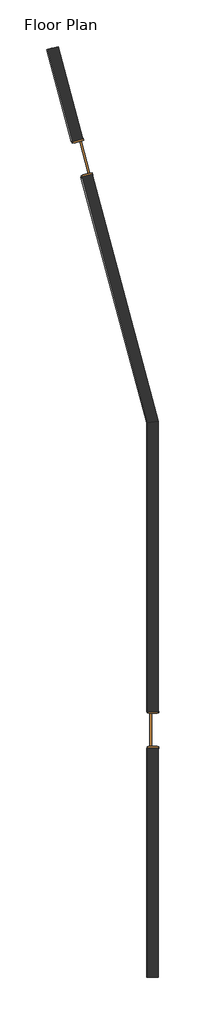
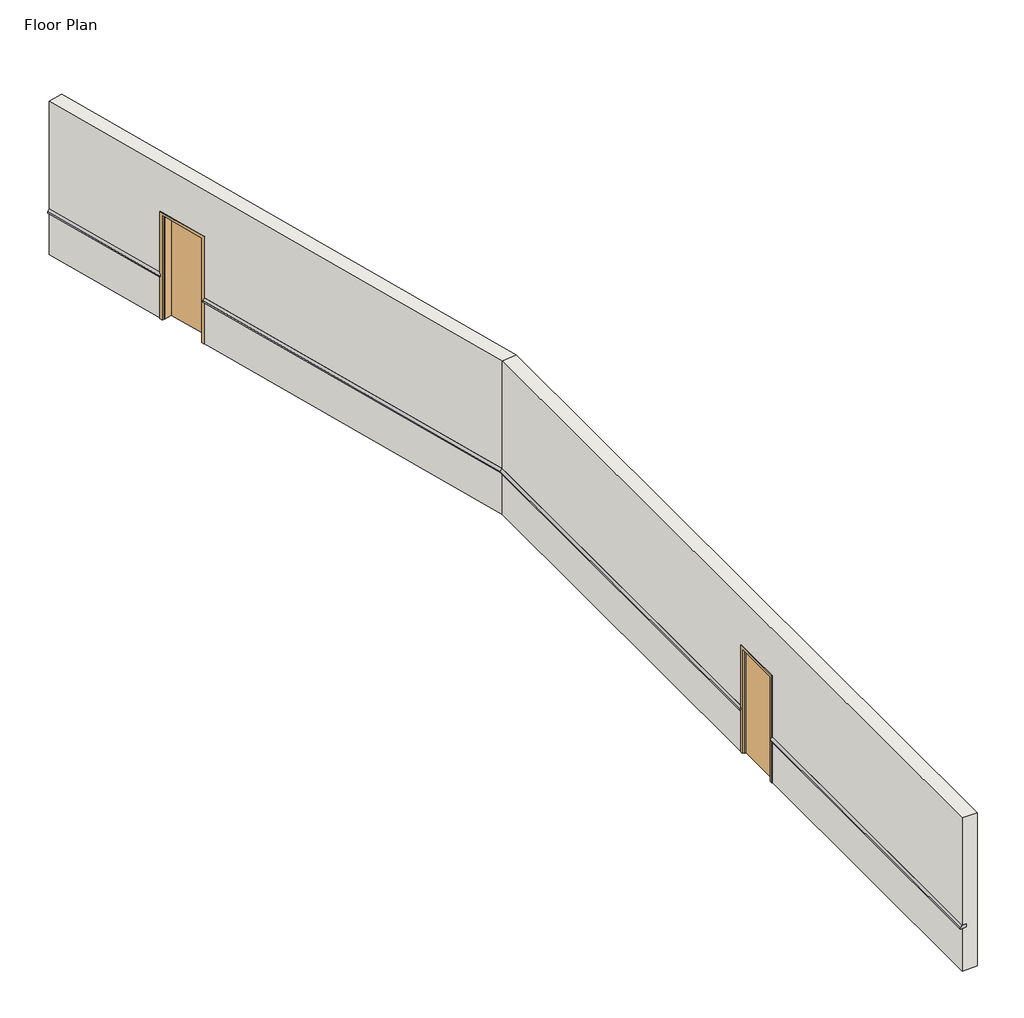
# One storey: 2 doors, 2 proxies, 2 walls.
"""IFC4 building model written with IfcOpenShell, lengths in millimetres."""

import ifcopenshell
import ifcopenshell.guid

model = None  # the IFC model being written
_history = None  # IfcOwnerHistory: only IFC2X3 demands one
_inside = {}  # id of a spatial element -> (the spatial element, [elements in it])
_under = {}  # id of a project, library or spatial element -> (it, [spatial elements below it])
_declared = {}  # id of a project -> (the project, [libraries it declares])
_typed = {}  # id of a type object -> (the type object, [elements of that type])
_made_of = {}  # id of a material, layer set ... -> (it, [elements and type objects made of it])


def new_model(schema):
    """Start an empty IFC model of exactly this schema.

    Asked for "IFC4X3", IfcOpenShell would pick the latest addendum, in which some entities
    have other attributes; the version numbers below select the first issue.
    IFC2X3 requires an IfcOwnerHistory on every rooted entity: one is made here for all.
    """
    global model, _history
    if schema == "IFC4X3":
        model = ifcopenshell.file(schema_version=(4, 3, 0, 0))
    else:
        model = ifcopenshell.file(schema=schema)
    _inside.clear()
    _under.clear()
    _declared.clear()
    _typed.clear()
    _made_of.clear()
    _history = None
    if model.schema == "IFC2X3":
        org = make("IfcOrganization", Name="unknown")
        user = make(
            "IfcPersonAndOrganization",
            ThePerson=make("IfcPerson", FamilyName="unknown"),
            TheOrganization=org,
        )
        app = make(
            "IfcApplication",
            ApplicationDeveloper=org,
            Version="unknown",
            ApplicationFullName="unknown",
            ApplicationIdentifier="unknown",
        )
        _history = make(
            "IfcOwnerHistory",
            OwningUser=user,
            OwningApplication=app,
            ChangeAction="ADDED",
            CreationDate=0,
        )
    return model


def make(cls, **values):
    """One entity of the class cls with the attributes given. An attribute that is None is left unset."""
    return model.create_entity(
        cls, **{name: value for name, value in values.items() if value is not None}
    )


def rooted(cls, **values):
    """An entity with a GlobalId (a new one), such as an element, a storey or a relation."""
    return make(cls, GlobalId=ifcopenshell.guid.new(), OwnerHistory=_history, **values)


def si_unit(unit_type, name, prefix=None):
    """IfcSIUnit, for example si_unit("LENGTHUNIT", "METRE", prefix="MILLI")."""
    return make("IfcSIUnit", UnitType=unit_type, Prefix=prefix, Name=name)


def assignment(units):
    """IfcUnitAssignment: the units of a project."""
    return None if units is None else make("IfcUnitAssignment", Units=units)


def point(xyz):
    """IfcCartesianPoint."""
    return None if xyz is None else make("IfcCartesianPoint", Coordinates=xyz)


def direction(xyz):
    """IfcDirection."""
    return None if xyz is None else make("IfcDirection", DirectionRatios=xyz)


def frame(location, z_axis=None, x_axis=None):
    """IfcAxis2Placement3D, a coordinate frame: its origin and axes. An axis left out is left unset."""
    return make(
        "IfcAxis2Placement3D",
        Location=point(location),
        Axis=direction(z_axis),
        RefDirection=direction(x_axis),
    )


def origin():
    """The frame at (0, 0, 0) with its axes left unset."""
    return frame((0.0, 0.0, 0.0))


def origin_with_axes():
    """The frame at (0, 0, 0) with the z axis (0, 0, 1) and the x axis (1, 0, 0) written out."""
    return frame((0.0, 0.0, 0.0), z_axis=(0.0, 0.0, 1.0), x_axis=(1.0, 0.0, 0.0))


def place(relative_to, where):
    """IfcLocalPlacement: puts the frame where relative to a parent placement (None: the world)."""
    return make(
        "IfcLocalPlacement", PlacementRelTo=relative_to, RelativePlacement=where
    )


def context(
    kind, dimensions, precision=None, world=None, true_north=None, identifier=None
):
    """IfcGeometricRepresentationContext, for example the 3D "Model" context."""
    return make(
        "IfcGeometricRepresentationContext",
        ContextIdentifier=identifier,
        ContextType=kind,
        CoordinateSpaceDimension=dimensions,
        Precision=precision,
        WorldCoordinateSystem=world,
        TrueNorth=true_north,
    )


def project(units=None, contexts=None):
    """IfcProject with its units and contexts."""
    return rooted(
        "IfcProject",
        Name="project",
        RepresentationContexts=contexts,
        UnitsInContext=assignment(units),
    )


def spatial(cls, under=None, at=None, **own):
    """A site, building, storey or space (cls), placed at a placement, below another one or the project."""
    s = rooted(cls, ObjectPlacement=at, **own)
    if under is not None:
        _under.setdefault(under.id(), (under, []))[1].append(s)
    return s


def polyline(points):
    """IfcPolyline through the points."""
    return make("IfcPolyline", Points=[point(p) for p in points])


def outline(outer, holes=None, kind="AREA"):
    """IfcArbitraryClosedProfileDef: a profile drawn as a closed curve; with holes, ...WithVoids."""
    if holes is None:
        return make("IfcArbitraryClosedProfileDef", ProfileType=kind, OuterCurve=outer)
    return make(
        "IfcArbitraryProfileDefWithVoids",
        ProfileType=kind,
        OuterCurve=outer,
        InnerCurves=holes,
    )


def extrude(swept, where, along, depth):
    """IfcExtrudedAreaSolid: the profile swept, set in the frame where, extruded along a direction by depth."""
    return make(
        "IfcExtrudedAreaSolid",
        SweptArea=swept,
        Position=where,
        ExtrudedDirection=direction(along),
        Depth=depth,
    )


def faces_of(points, faces, orient=None, outer=None):
    """IfcFace entities. A face is a list of loops; a loop is a list of indices into points, from 0.

    orient and outer hold one flag for each loop. By default every Orientation is true, the
    first loop of a face is its IfcFaceOuterBound and the others are IfcFaceBound.
    """
    made = []
    for i, loops in enumerate(faces):
        bounds = []
        for j, loop in enumerate(loops):
            is_outer = j == 0 if outer is None else outer[i][j]
            bounds.append(
                make(
                    "IfcFaceOuterBound" if is_outer else "IfcFaceBound",
                    Bound=make("IfcPolyLoop", Polygon=[points[k] for k in loop]),
                    Orientation=True if orient is None else orient[i][j],
                )
            )
        made.append(make("IfcFace", Bounds=bounds))
    return made


def faceted_brep(points, faces, orient=None, outer=None, voids=None):
    """IfcFacetedBrep: a solid bounded by flat faces; with voids (closed shells), ...WithVoids."""
    shared = [point(p) for p in points]
    hull = make("IfcClosedShell", CfsFaces=faces_of(shared, faces, orient, outer))
    if voids is None:
        return make("IfcFacetedBrep", Outer=hull)
    return make(
        "IfcFacetedBrepWithVoids",
        Outer=hull,
        Voids=[
            make(cls, CfsFaces=faces_of(shared, fs, o, b)) for cls, fs, o, b in voids
        ],
    )


def shape(context_of_items, identifier, shape_type, items):
    """IfcShapeRepresentation: the items that make up one representation, for example the "Body"."""
    return make(
        "IfcShapeRepresentation",
        ContextOfItems=context_of_items,
        RepresentationIdentifier=identifier,
        RepresentationType=shape_type,
        Items=items,
    )


def source(mapping_origin, context_of_items, identifier, shape_type, items):
    """IfcRepresentationMap: a shape defined once, which mapped items show again and again."""
    return make(
        "IfcRepresentationMap",
        MappingOrigin=mapping_origin,
        MappedRepresentation=shape(context_of_items, identifier, shape_type, items),
    )


def transform(
    local_origin,
    x_axis=None,
    y_axis=None,
    z_axis=None,
    scale=None,
    scale2=None,
    scale3=None,
    uniform=True,
):
    """IfcCartesianTransformationOperator3D, or its non-uniform kind. x_axis, y_axis, z_axis: its Axis1, 2, 3."""
    if uniform:
        return make(
            "IfcCartesianTransformationOperator3D",
            Axis1=direction(x_axis),
            Axis2=direction(y_axis),
            LocalOrigin=point(local_origin),
            Scale=scale,
            Axis3=direction(z_axis),
        )
    return make(
        "IfcCartesianTransformationOperator3DnonUniform",
        Axis1=direction(x_axis),
        Axis2=direction(y_axis),
        LocalOrigin=point(local_origin),
        Scale=scale,
        Axis3=direction(z_axis),
        Scale2=scale2,
        Scale3=scale3,
    )


def mapped(mapping_source, mapping_target):
    """IfcMappedItem: shows the shape of a source again, moved by a transform."""
    return make(
        "IfcMappedItem", MappingSource=mapping_source, MappingTarget=mapping_target
    )


def made_of(thing, what):
    """Note that an element or type object is made of a material, layer set ...; save() writes the relation."""
    if what is not None:
        _made_of.setdefault(what.id(), (what, []))[1].append(thing)
    return thing


def element(
    cls,
    number,
    at=None,
    inside=None,
    cuts=None,
    type_object=None,
    material=None,
    context=None,
    identifier="Body",
    shape_type=None,
    held_by="IfcProductDefinitionShape",
    body=None,
    shapes=None,
    **own,
):
    """One element of the class cls, such as IfcWall. Its Tag is "e" and its number.

    at: its placement. inside: the storey or other place that contains it. cuts: it is an
    opening in that element (IfcRelVoidsElement). A single representation is given by context,
    identifier, shape_type and body (its items); several are given by shapes. held_by: the class
    of the entity that holds the representations. save() writes the other relations.
    """
    e = rooted(cls, Tag="e%d" % number, ObjectPlacement=at, **own)
    if body is not None:
        shapes = [shape(context, identifier, shape_type, body)]
    if shapes is not None:
        e.Representation = make(held_by, Representations=shapes)
    if inside is not None:
        _inside.setdefault(inside.id(), (inside, []))[1].append(e)
    if cuts is not None:
        rooted(
            "IfcRelVoidsElement", RelatingBuildingElement=cuts, RelatedOpeningElement=e
        )
    if type_object is not None:
        _typed.setdefault(type_object.id(), (type_object, []))[1].append(e)
    return made_of(e, material)


def aggregate(whole, parts):
    """IfcRelAggregates: a whole, such as a stair, and the parts it consists of."""
    return rooted("IfcRelAggregates", RelatingObject=whole, RelatedObjects=parts)


def save(model, path):
    """Write the relations noted so far, then the file.

    IfcRelAggregates (storeys below a building ...), IfcRelContainedInSpatialStructure (elements
    in a storey), IfcRelDefinesByType, IfcRelAssociatesMaterial and IfcRelDeclares: one each for
    every whole, place, type object, material and project.
    """
    for whole, parts in _under.values():
        aggregate(whole, parts)
    for where, things in _inside.values():
        rooted(
            "IfcRelContainedInSpatialStructure",
            RelatedElements=things,
            RelatingStructure=where,
        )
    for kind, things in _typed.values():
        rooted("IfcRelDefinesByType", RelatedObjects=things, RelatingType=kind)
    for what, things in _made_of.values():
        rooted("IfcRelAssociatesMaterial", RelatedObjects=things, RelatingMaterial=what)
    for by, libraries in _declared.values():
        rooted("IfcRelDeclares", RelatingContext=by, RelatedDefinitions=libraries)
    model.write(path)


def door_9903df7c(model_context):
    return source(origin(), model_context, "Body", "SolidModel", [
        faceted_brep([(-1270.0, 157.1625, 0.0), (-1219.2, 157.1625, 0.0), (-1219.2, 112.7125, 0.0), (-1206.5, 112.7125, 0.0), (-1206.5, -112.7125, 0.0), (-1219.2, -112.7125, 0.0), (-1219.2, -157.1625, 0.0), (-1270.0, -157.1625, 0.0), (-1270.0, -144.4625, 0.0), (-1257.3, -144.4625, 0.0), (-1257.3, 144.4625, 0.0), (-1270.0, 144.4625, 0.0), (-1270.0, 157.1625, 2133.6), (-254.0, 157.1625, 2133.6), (-254.0, 157.1625, 0.0), (-304.8, 157.1625, 0.0), (-304.8, 157.1625, 2082.8), (-1219.2, 157.1625, 2082.8), (-1219.2, 112.7125, 2082.8), (-304.8, 112.7125, 2082.8), (-304.8, 112.7125, 0.0), (-317.5, 112.7125, 0.0), (-317.5, 112.7125, 2070.1), (-1206.5, 112.7125, 2070.1), (-1206.5, -112.7125, 2070.1), (-317.5, -112.7125, 2070.1), (-317.5, -112.7125, 0.0), (-304.8, -112.7125, 0.0), (-304.8, -112.7125, 2082.8), (-1219.2, -112.7125, 2082.8), (-1219.2, -157.1625, 2082.8), (-304.8, -157.1625, 2082.8), (-304.8, -157.1625, 0.0), (-254.0, -157.1625, 0.0), (-254.0, -157.1625, 2133.6), (-1270.0, -157.1625, 2133.6), (-1270.0, -144.4625, 2133.6), (-254.0, -144.4625, 2133.6), (-254.0, -144.4625, 0.0), (-266.7, -144.4625, 0.0), (-266.7, -144.4625, 2120.9), (-1257.3, -144.4625, 2120.9), (-1257.3, 144.4625, 2120.9), (-266.7, 144.4625, 2120.9), (-266.7, 144.4625, 0.0), (-254.0, 144.4625, 0.0), (-254.0, 144.4625, 2133.6), (-1270.0, 144.4625, 2133.6)], [[[0, 1, 2, 3, 4, 5, 6, 7, 8, 9, 10, 11]], [[1, 0, 12, 13, 14, 15, 16, 17]], [[2, 1, 17, 18]], [[3, 2, 18, 19, 20, 21, 22, 23]], [[4, 3, 23, 24]], [[5, 4, 24, 25, 26, 27, 28, 29]], [[6, 5, 29, 30]], [[7, 6, 30, 31, 32, 33, 34, 35]], [[8, 7, 35, 36]], [[9, 8, 36, 37, 38, 39, 40, 41]], [[10, 9, 41, 42]], [[11, 10, 42, 43, 44, 45, 46, 47]], [[0, 11, 47, 12]], [[13, 46, 45, 14]], [[14, 45, 44, 39, 38, 33, 32, 27, 26, 21, 20, 15]], [[19, 16, 15, 20]], [[25, 22, 21, 26]], [[31, 28, 27, 32]], [[37, 34, 33, 38]], [[43, 40, 39, 44]], [[18, 17, 16, 19]], [[24, 23, 22, 25]], [[30, 29, 28, 31]], [[36, 35, 34, 37]], [[42, 41, 40, 43]], [[12, 47, 46, 13]]]),
        extrude(outline(polyline([(-304.8, 44.45), (-1219.2, 44.45), (-1219.2, 88.9), (-304.8, 88.9), (-304.8, 44.45)])), origin_with_axes(), (0.0, 0.0, 1.0), 2082.8),
    ])


model = new_model("IFC4")

# Units and contexts
model_context = context("Model", 3, world=origin())
ifc_project = project(units=[si_unit("LENGTHUNIT", "METRE", prefix="MILLI")], contexts=[model_context])

# Site, building, storey
site = spatial("IfcSite", under=ifc_project)
building = spatial("IfcBuilding", under=site)
storey = spatial("IfcBuildingStorey", under=building, Name="Floor Plan", Elevation=0.0)

# Proxies
placement = place(None, origin())
element("IfcBuildingElementProxy", 1, Name="Wall Sweeps", at=placement, inside=storey, context=model_context, shape_type="Brep", body=[
    faceted_brep([(-6855.5935062, 98.9391612, 914.4), (-6855.5935062, 98.9391612, 844.55), (-6947.6685062, 98.9391612, 844.55), (-6982.5935062, 98.9391612, 844.55), (-6982.5935062, 98.9391612, 869.95), (-6947.6685062, 98.9391612, 914.4), (-6855.5935062, -6092.3108388, 914.4), (-6947.6685062, -6092.3108388, 914.4), (-6982.5935062, -6092.3108388, 869.95), (-6982.5935062, -6092.3108388, 844.55), (-6947.6685062, -6092.3108388, 844.55), (-6855.5935062, -6092.3108388, 844.55)], [[[0, 1, 2, 3, 4, 5]], [[6, 7, 8, 9, 10, 11]], [[1, 0, 6, 11]], [[3, 2, 1, 11, 10, 9]], [[4, 3, 9, 8]], [[5, 4, 8, 7]], [[0, 5, 7, 6]]]),
    faceted_brep([(-6855.5935062, 8908.986065, 914.4), (-6855.5935062, 8908.986065, 844.55), (-6947.6685062, 8896.8641612, 844.55), (-6982.5935062, 8892.2661978, 844.55), (-6982.5935062, 8892.2661978, 869.95), (-6947.6685062, 8896.8641612, 914.4), (-6855.5935062, 1089.5391612, 914.4), (-6947.6685062, 1089.5391612, 914.4), (-6982.5935062, 1089.5391612, 869.95), (-6982.5935062, 1089.5391612, 844.55), (-6947.6685062, 1089.5391612, 844.55), (-6855.5935062, 1089.5391612, 844.55)], [[[0, 1, 2, 3, 4, 5]], [[6, 7, 8, 9, 10, 11]], [[1, 0, 6, 11]], [[3, 2, 1, 11, 10, 9]], [[4, 3, 9, 8]], [[5, 4, 8, 7]], [[0, 5, 7, 6]]]),
])
element("IfcBuildingElementProxy", 2, Name="Wall Sweeps", at=placement, inside=storey, context=model_context, shape_type="Brep", body=[
    faceted_brep([(-6855.5935062, 8908.986065, 914.4), (-6947.6685062, 8896.8641612, 914.4), (-6982.5935062, 8892.2661978, 869.95), (-6982.5935062, 8892.2661978, 844.55), (-6947.6685062, 8896.8641612, 844.55), (-6855.5935062, 8908.986065, 844.55), (-8635.934792, 15553.310198, 914.4), (-8635.934792, 15553.310198, 844.55), (-8724.8724124, 15529.4794345, 844.55), (-8758.6073719, 15520.4401793, 844.55), (-8758.6073719, 15520.4401793, 869.95), (-8724.8724124, 15529.4794345, 914.4)], [[[0, 1, 2, 3, 4, 5]], [[6, 7, 8, 9, 10, 11]], [[1, 0, 6, 11]], [[2, 1, 11, 10]], [[3, 2, 10, 9]], [[5, 4, 3, 9, 8, 7]], [[0, 5, 7, 6]]]),
    faceted_brep([(-8892.320938, 16510.1563216, 914.4), (-8981.2585585, 16486.325558, 914.4), (-9014.993518, 16477.2863028, 869.95), (-9014.993518, 16477.2863028, 844.55), (-8981.2585585, 16486.325558, 844.55), (-8892.320938, 16510.1563216, 844.55), (-9559.9931934, 19001.9431016, 914.4), (-9559.9931934, 19001.9431016, 844.55), (-9648.9308139, 18978.112338, 844.55), (-9682.6657734, 18969.0730828, 844.55), (-9682.6657734, 18969.0730828, 869.95), (-9648.9308139, 18978.112338, 914.4)], [[[0, 1, 2, 3, 4, 5]], [[6, 7, 8, 9, 10, 11]], [[1, 0, 6, 11]], [[2, 1, 11, 10]], [[3, 2, 10, 9]], [[5, 4, 3, 9, 8, 7]], [[0, 5, 7, 6]]]),
])

# Doors
door_shape = door_9903df7c(model_context)
element("IfcDoor", 3, ObjectType="3'-0\" x 7'-0\"", at=placement, inside=storey, context=model_context, shape_type="MappedRepresentation", body=[
    mapped(door_shape, transform((-6803.2060062, 1356.2391612, 0.0), x_axis=(0.0, 1.0, 0.0), y_axis=(-1.0, 0.0, 0.0), z_axis=(0.0, 0.0, 1.0))),
])
element("IfcDoor", 4, ObjectType="3'-0\" x 7'-0\"", at=placement, inside=storey, context=model_context, shape_type="MappedRepresentation", body=[
    mapped(door_shape, transform((-8516.3053134, 15309.2566629, 0.0), x_axis=(0.2588190451025096, -0.9659258262890713, 0.0), y_axis=(0.9659258262890713, 0.2588190451025096, 0.0), z_axis=(0.0, 0.0, 1.0))),
])

# Walls
element("IfcWall", 5, ObjectType="Brick on 2x4 1/2\" gyp.", at=placement, inside=storey, context=model_context, shape_type="Brep", body=[
    faceted_brep([(-6947.6685062, -6092.3108388, 3048.0), (-6947.6685062, 8896.8641612, 3048.0), (-6947.6685062, 8896.8641612, 914.4), (-6947.6685062, 1089.5391612, 914.4), (-6947.6685062, 1089.5391612, 2120.9), (-6947.6685062, 98.9391612, 2120.9), (-6947.6685062, 98.9391612, 914.4), (-6947.6685062, -6092.3108388, 914.4), (-6947.6685062, 8896.8641612, 0.0), (-6947.6685062, 1089.5391612, 0.0), (-6947.6685062, 1089.5391612, 844.55), (-6947.6685062, 8896.8641612, 844.55), (-6947.6685062, 98.9391612, 0.0), (-6947.6685062, -6092.3108388, 0.0), (-6947.6685062, -6092.3108388, 844.55), (-6947.6685062, 98.9391612, 844.55), (-6658.7435062, -6092.3108388, 3048.0), (-6658.7435062, -6092.3108388, 0.0), (-6658.7435062, 98.9391612, 0.0), (-6658.7435062, 98.9391612, 2120.9), (-6658.7435062, 1089.5391612, 2120.9), (-6658.7435062, 1089.5391612, 0.0), (-6658.7435062, 8934.9018591, 0.0), (-6658.7435062, 8934.9018591, 3048.0), (-6855.5935062, -6092.3108388, 914.4), (-6855.5935062, -6092.3108388, 844.55), (-6855.5935062, 1089.5391612, 914.4), (-6855.5935062, 1089.5391612, 844.55), (-6855.5935062, 98.9391612, 844.55), (-6855.5935062, 98.9391612, 914.4), (-6855.5935062, 8908.986065, 844.55), (-6855.5935062, 8908.986065, 914.4)], [[[0, 1, 2, 3, 4, 5, 6, 7]], [[8, 9, 10, 11]], [[12, 13, 14, 15]], [[16, 17, 18, 19, 20, 21, 22, 23]], [[17, 13, 12, 18]], [[9, 8, 22, 21]], [[17, 16, 0, 7, 24, 25, 14, 13]], [[1, 0, 16, 23]], [[21, 20, 4, 3, 26, 27, 10, 9]], [[5, 4, 20, 19]], [[19, 18, 12, 15, 28, 29, 6, 5]], [[24, 29, 28, 25]], [[25, 28, 15, 14]], [[29, 24, 7, 6]], [[27, 30, 11, 10]], [[31, 26, 3, 2]], [[30, 27, 26, 31]], [[1, 23, 22, 8, 11, 30, 31, 2]]]),
])
element("IfcWall", 6, ObjectType="Brick on 2x4 1/2\" gyp.", at=placement, inside=storey, context=model_context, shape_type="Brep", body=[
    faceted_brep([(-9369.8506945, 19052.8916306, 0.0), (-9369.8506945, 19052.8916306, 3048.0), (-6658.7435062, 8934.9018591, 3048.0), (-6658.7435062, 8934.9018591, 0.0), (-8445.7922931, 15604.2587271, 0.0), (-8445.7922931, 15604.2587271, 2120.9), (-8702.1784391, 16561.1048506, 2120.9), (-8702.1784391, 16561.1048506, 0.0), (-6947.6685062, 8896.8641612, 3048.0), (-9648.9308139, 18978.112338, 3048.0), (-9648.9308139, 18978.112338, 914.4), (-8981.2585585, 16486.325558, 914.4), (-8981.2585585, 16486.325558, 2120.9), (-8724.8724124, 15529.4794345, 2120.9), (-8724.8724124, 15529.4794345, 914.4), (-6947.6685062, 8896.8641612, 914.4), (-8724.8724124, 15529.4794345, 0.0), (-6947.6685062, 8896.8641612, 0.0), (-6947.6685062, 8896.8641612, 844.55), (-8724.8724124, 15529.4794345, 844.55), (-9648.9308139, 18978.112338, 0.0), (-8981.2585585, 16486.325558, 0.0), (-8981.2585585, 16486.325558, 844.55), (-9648.9308139, 18978.112338, 844.55), (-9559.9931934, 19001.9431016, 844.55), (-9559.9931934, 19001.9431016, 914.4), (-8635.934792, 15553.310198, 914.4), (-6855.5935062, 8908.986065, 914.4), (-6855.5935062, 8908.986065, 844.55), (-8635.934792, 15553.310198, 844.55), (-8892.320938, 16510.1563216, 914.4), (-8892.320938, 16510.1563216, 844.55)], [[[0, 1, 2, 3, 4, 5, 6, 7]], [[8, 9, 10, 11, 12, 13, 14, 15]], [[16, 17, 18, 19]], [[20, 21, 22, 23]], [[20, 0, 7, 21]], [[4, 3, 17, 16]], [[1, 0, 20, 23, 24, 25, 10, 9]], [[2, 1, 9, 8]], [[26, 27, 15, 14]], [[28, 29, 19, 18]], [[27, 26, 29, 28]], [[25, 30, 11, 10]], [[31, 24, 23, 22]], [[30, 25, 24, 31]], [[5, 4, 16, 19, 29, 26, 14, 13]], [[6, 5, 13, 12]], [[7, 6, 12, 11, 30, 31, 22, 21]], [[3, 2, 8, 15, 27, 28, 18, 17]]]),
])

save(model, "model.ifc")
